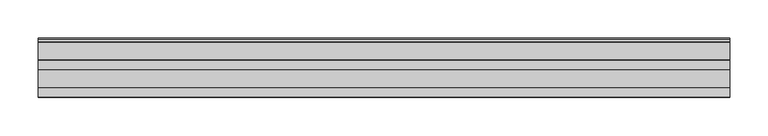
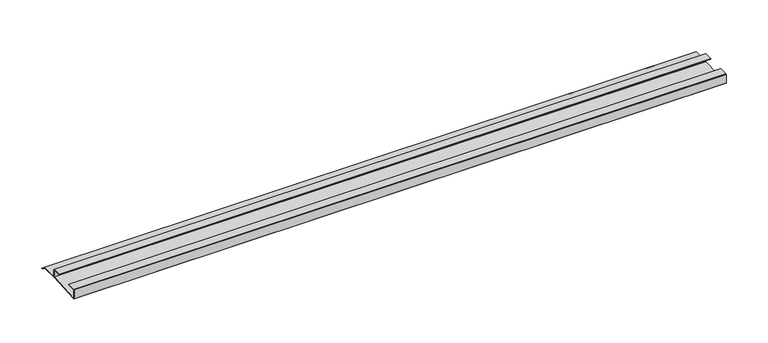
"""IFC4 building model written with IfcOpenShell, lengths in millimetres: furniture geometry."""

from ifc_helpers import new_model, si_unit, frame, origin, place, context, project, spatial, polyline, outline, extrude, source, transform, mapped, element, save


def furniture_b5ac704f(model_context):
    return source(origin(), model_context, "Body", "SweptSolid", [
        extrude(outline(polyline([(-16.1532518, 512.3076998), (-16.9376349, 511.8893742), (-18.5259585, 513.5599489), (-20.7474799, 514.175282), (-21.763438, 516.2072074), (-45.0034802, 516.2072074), (-92.6265287, 514.175282), (-93.3884975, 514.9372508), (-93.3884975, 527.3675), (-92.5947475, 528.16125), (-80.6890189, 528.16125), (-80.6890189, 527.3675), (-92.6265287, 527.3675), (-92.6265287, 514.9372631), (-45.0034802, 517.0009574), (-45.0034802, 527.3675), (-56.9409919, 527.3675), (-56.9409919, 528.16125), (-45.0352673, 528.16125), (-44.2415173, 527.3675), (-44.2415173, 517.0009574), (-21.763438, 517.0009574), (-20.7474799, 515.1912447), (-18.0685872, 514.3222207), (-16.1532518, 512.3076998)])), frame((-429.3464592, 0.0, 0.0), z_axis=(1.0, 0.0, 0.0), x_axis=(0.0, 1.0, 0.0)), (0.0, 0.0, 1.0), 897.636),
    ])


if __name__ == "__main__":
    model = new_model("IFC4")
    model_context = context("Model", 3, world=origin())
    ifc_project = project(units=[si_unit("LENGTHUNIT", "METRE", prefix="MILLI")], contexts=[model_context])
    site = spatial("IfcSite", under=ifc_project)
    building = spatial("IfcBuilding", under=site)
    placement = place(None, origin())
    furniture_shape = furniture_b5ac704f(model_context)
    element("IfcFurniture", 1, at=placement, inside=building, context=model_context, shape_type="MappedRepresentation", body=[
        mapped(furniture_shape, transform((0.0, 0.0, 0.0), x_axis=(1.0, 0.0, 0.0), y_axis=(0.0, 1.0, 0.0), z_axis=(0.0, 0.0, 1.0))),
    ])
    save(model, "model.ifc")
